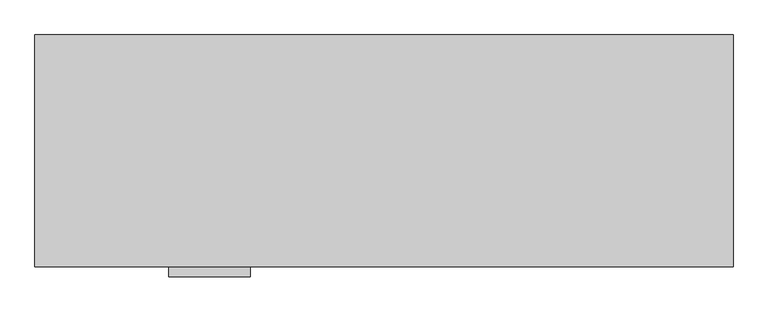
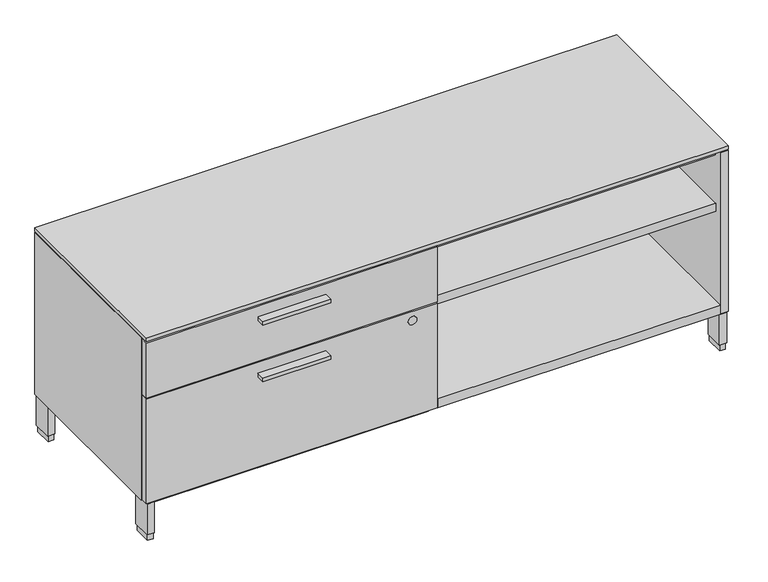
"""IFC4 building model written with IfcOpenShell, lengths in millimetres: furniture geometry."""

from ifc_helpers import new_model, si_unit, point, frame, frame_2d, origin, origin_with_axes, place, context, project, spatial, polyline, circle_curve, trimmed, segment, composite_curve, outline, extrude, faceted_brep, source, transform, mapped, element, save


def furniture_71555df8(model_context):
    return source(origin(), model_context, "Body", "SolidModel", [
        extrude(outline(polyline([(470.69375, -528.574), (292.89375, -528.574), (292.89375, -506.349), (470.69375, -506.349), (470.69375, -528.574)])), frame((0.0, 0.0, 354.838), z_axis=(0.0, 0.0, 1.0), x_axis=(1.0, 0.0, 0.0)), (0.0, 0.0, 1.0), 9.525),
        extrude(outline(polyline([(470.69375, -528.574), (292.89375, -528.574), (292.89375, -506.349), (470.69375, -506.349), (470.69375, -528.574)])), frame((0.0, 0.0, 510.794), z_axis=(0.0, 0.0, 1.0), x_axis=(1.0, 0.0, 0.0)), (0.0, 0.0, 1.0), 9.525),
        extrude(outline(polyline([(1503.1085, -20.828), (1503.1085, -503.809), (764.2098, -503.809), (764.2098, -20.828), (1503.1085, -20.828)])), frame((0.0, 0.0, 102.108), z_axis=(0.0, 0.0, 1.0), x_axis=(1.0, 0.0, 0.0)), (0.0, 0.0, 1.0), 25.4),
        extrude(outline(polyline([(739.775, -20.828), (739.775, -503.809), (20.8915, -503.809), (20.8915, -20.828), (739.775, -20.828)])), frame((0.0, 0.0, 102.108), z_axis=(0.0, 0.0, 1.0), x_axis=(1.0, 0.0, 0.0)), (0.0, 0.0, 1.0), 25.4),
        extrude(outline(polyline([(21.2979, -5.715), (21.2979, -52.197), (6.5659, -52.197), (6.5659, -5.715), (21.2979, -5.715)])), origin_with_axes(), (0.0, 0.0, 1.0), 17.399),
        extrude(outline(polyline([(21.2979, -455.676), (21.2979, -502.158), (6.5659, -502.158), (6.5659, -455.676), (21.2979, -455.676)])), origin_with_axes(), (0.0, 0.0, 1.0), 17.399),
        extrude(outline(polyline([(1517.4341, -455.676), (1517.4341, -502.158), (1502.7021, -502.158), (1502.7021, -455.676), (1517.4341, -455.676)])), origin_with_axes(), (0.0, 0.0, 1.0), 17.399),
        extrude(outline(polyline([(1517.4341, -5.715), (1517.4341, -52.197), (1502.7021, -52.197), (1502.7021, -5.715), (1517.4341, -5.715)])), origin_with_axes(), (0.0, 0.0, 1.0), 17.399),
        extrude(outline(polyline([(23.4569, -3.556), (23.4569, -54.356), (4.4069, -54.356), (4.4069, -3.556), (23.4569, -3.556)])), frame((0.0, 0.0, 17.399), z_axis=(0.0, 0.0, 1.0), x_axis=(1.0, 0.0, 0.0)), (0.0, 0.0, 1.0), 84.709),
        extrude(outline(polyline([(1519.5931, -3.556), (1519.5931, -54.356), (1500.5431, -54.356), (1500.5431, -3.556), (1519.5931, -3.556)])), frame((0.0, 0.0, 17.399), z_axis=(0.0, 0.0, 1.0), x_axis=(1.0, 0.0, 0.0)), (0.0, 0.0, 1.0), 84.709),
        extrude(outline(polyline([(1519.5931, -453.517), (1519.5931, -504.317), (1500.5431, -504.317), (1500.5431, -453.517), (1519.5931, -453.517)])), frame((0.0, 0.0, 17.399), z_axis=(0.0, 0.0, 1.0), x_axis=(1.0, 0.0, 0.0)), (0.0, 0.0, 1.0), 84.709),
        extrude(outline(polyline([(23.4569, -453.517), (23.4569, -504.317), (4.4069, -504.317), (4.4069, -453.517), (23.4569, -453.517)])), frame((0.0, 0.0, 17.399), z_axis=(0.0, 0.0, 1.0), x_axis=(1.0, 0.0, 0.0)), (0.0, 0.0, 1.0), 84.709),
        extrude(outline(polyline([(764.2098, -20.828), (1503.1085, -20.828), (1503.1085, -483.2858), (764.2098, -483.2858), (764.2098, -20.828)])), frame((0.0, 0.0, 374.0912), z_axis=(0.0, 0.0, 1.0), x_axis=(1.0, 0.0, 0.0)), (0.0, 0.0, 1.0), 22.225),
        extrude(outline(polyline([(739.775, -20.828), (764.2098, -20.828), (764.2098, -483.2858), (739.775, -483.2858), (739.775, -20.828)])), frame((0.0, 0.0, 102.108), z_axis=(0.0, 0.0, 1.0), x_axis=(1.0, 0.0, 0.0)), (0.0, 0.0, 1.0), 428.625),
        extrude(outline(composite_curve([segment(trimmed(circle_curve(frame_2d((368.681, 697.33668)), 11.176), [point((368.681, 708.51268))], [point((368.681, 686.16068))], False, "CARTESIAN"), True, "CONTINUOUS"), segment(trimmed(circle_curve(frame_2d((368.681, 697.33668)), 11.176), [point((368.681, 686.16068))], [point((368.681, 708.51268))], False, "CARTESIAN"), True, "CONTINUOUS")], self_intersect=False)), frame((0.0, -506.603, 0.0), z_axis=(0.0, 1.0, 0.0), x_axis=(0.0, 0.0, 1.0)), (0.0, 0.0, 1.0), 4.69392),
        extrude(outline(polyline([(762.0, -487.045), (762.0, -506.349), (1.5875, -506.349), (1.5875, -487.045), (762.0, -487.045)])), frame((0.0, 0.0, 105.283), z_axis=(0.0, 0.0, 1.0), x_axis=(1.0, 0.0, 0.0)), (0.0, 0.0, 1.0), 288.798),
        extrude(outline(polyline([(762.0, -487.045), (762.0, -506.349), (1.5875, -506.349), (1.5875, -487.045), (762.0, -487.045)])), frame((0.0, 0.0, 397.256), z_axis=(0.0, 0.0, 1.0), x_axis=(1.0, 0.0, 0.0)), (0.0, 0.0, 1.0), 152.781),
        extrude(outline(polyline([(1522.4125, -506.349), (1.5875, -506.349), (1.5875, -1.524), (1522.4125, -1.524), (1522.4125, -506.349)])), frame((0.0, 0.0, 553.212), z_axis=(0.0, 0.0, 1.0), x_axis=(1.0, 0.0, 0.0)), (0.0, 0.0, 1.0), 9.75868),
        faceted_brep([(1522.4125, -506.349, 550.037), (1503.1085, -506.349, 550.037), (1503.1085, -506.349, 105.283), (1522.4125, -506.349, 105.283), (1522.4125, -1.524, 550.037), (1522.4125, -1.524, 102.108), (1.5875, -1.524, 102.108), (1.5875, -1.524, 550.037), (1.5875, -483.2858, 550.037), (1503.1085, -483.2858, 550.037), (1.5875, -483.2858, 102.108), (1.5875, -483.2858, 105.283), (1522.4125, -483.2858, 105.283), (1522.4125, -483.2858, 102.108), (1503.1085, -20.828, 530.733), (20.8915, -20.828, 530.733), (20.8915, -20.828, 102.108), (1503.1085, -20.828, 102.108), (1503.1085, -483.2858, 530.733), (20.8915, -483.2858, 530.733), (20.8915, -483.2858, 105.283), (20.8915, -483.2858, 102.108), (1503.1085, -483.2858, 102.108), (1503.1085, -483.2858, 105.283)], [[[0, 1, 2, 3]], [[4, 5, 6, 7]], [[4, 7, 8, 9, 1, 0]], [[7, 6, 10, 11, 8]], [[5, 4, 0, 3, 12, 13]], [[14, 15, 16, 17]], [[15, 14, 18, 19]], [[16, 15, 19, 20, 21]], [[14, 17, 22, 23, 2, 1, 9, 18]], [[18, 9, 8, 11, 10, 21, 20, 19]], [[12, 23, 22, 13]], [[23, 12, 3, 2]], [[6, 5, 13, 22, 17, 16, 21, 10]]]),
    ])


if __name__ == "__main__":
    model = new_model("IFC4")
    model_context = context("Model", 3, world=origin())
    ifc_project = project(units=[si_unit("LENGTHUNIT", "METRE", prefix="MILLI")], contexts=[model_context])
    site = spatial("IfcSite", under=ifc_project)
    building = spatial("IfcBuilding", under=site)
    placement = place(None, origin())
    furniture_shape = furniture_71555df8(model_context)
    element("IfcFurniture", 1, at=placement, inside=building, context=model_context, shape_type="MappedRepresentation", body=[
        mapped(furniture_shape, transform((0.0, 0.0, 0.0), x_axis=(1.0, 0.0, 0.0), y_axis=(0.0, 1.0, 0.0), z_axis=(0.0, 0.0, 1.0))),
    ])
    save(model, "model.ifc")
